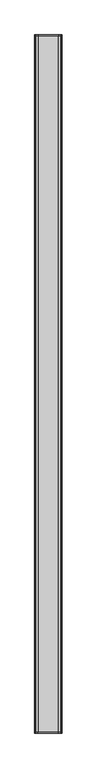
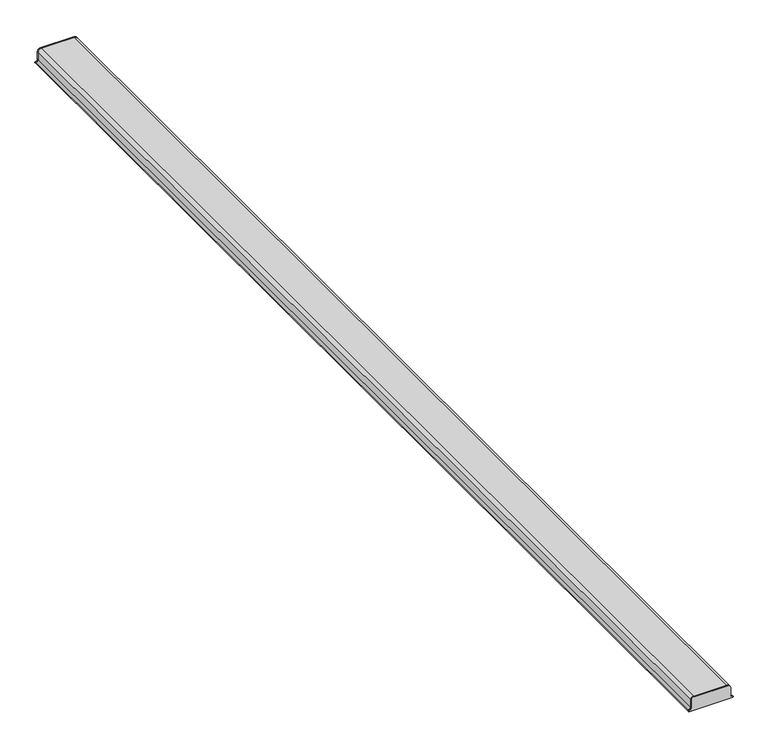
"""IFC4 building model written with IfcOpenShell, lengths in millimetres: proxy geometry."""

from ifc_helpers import new_model, si_unit, point, frame, frame_2d, origin, place, context, project, spatial, polyline, circle_curve, trimmed, segment, composite_curve, outline, extrude, source, transform, mapped, element, save


def generic_models_dd53970e(model_context):
    return source(origin(), model_context, "Body", "SweptSolid", [
        extrude(outline(composite_curve([segment(trimmed(circle_curve(frame_2d((431.1687819, 235.6397011)), 12.7), [point((418.4687819, 235.6397011))], [point((431.1687819, 222.9397011))], True, "CARTESIAN"), True, "CONTINUOUS"), segment(polyline([(431.1687819, 222.9397011), (482.3425919, 222.9397011)]), True, "CONTINUOUS"), segment(trimmed(circle_curve(frame_2d((480.3119736, 203.9982362)), 19.05), [point((482.3425919, 222.9397011))], [point((499.3619736, 203.9982362))], False, "CARTESIAN"), True, "CONTINUOUS"), segment(polyline([(499.3619736, 203.9982362), (499.3619736, -5.6602989)]), True, "CONTINUOUS"), segment(trimmed(circle_curve(frame_2d((480.3119736, -5.6602989)), 19.05), [point((499.3619736, -5.6602989))], [point((480.3119736, -24.7102989))], False, "CARTESIAN"), True, "CONTINUOUS"), segment(polyline([(480.3119736, -24.7102989), (431.1687819, -24.7102989)]), True, "CONTINUOUS"), segment(trimmed(circle_curve(frame_2d((431.1687819, -37.4102989)), 12.7), [point((431.1687819, -24.7102989))], [point((418.4687819, -37.4102989))], True, "CARTESIAN"), True, "CONTINUOUS"), segment(trimmed(circle_curve(frame_2d((415.2937819, -37.4102989)), 3.175), [point((418.4687819, -37.4102989))], [point((412.1187819, -37.4102989))], False, "CARTESIAN"), True, "CONTINUOUS"), segment(polyline([(412.1187819, -37.4102989), (412.1187819, 235.6397011)]), True, "CONTINUOUS"), segment(trimmed(circle_curve(frame_2d((415.2937819, 235.6397011)), 3.175), [point((412.1187819, 235.6397011))], [point((418.4687819, 235.6397011))], False, "CARTESIAN"), True, "CONTINUOUS")], self_intersect=False)), frame((0.0, 3546.871875, 0.0), z_axis=(0.0, 1.0, 0.0), x_axis=(0.0, 0.0, 1.0)), (0.0, 0.0, 1.0), 6.35),
        extrude(outline(composite_curve([segment(trimmed(circle_curve(frame_2d((431.1687819, -37.4102989)), 12.7), [point((431.1687819, -24.7102989))], [point((418.4687819, -37.4102989))], True, "CARTESIAN"), True, "CONTINUOUS"), segment(trimmed(circle_curve(frame_2d((415.2937819, -37.4102989)), 3.175), [point((418.4687819, -37.4102989))], [point((412.1187819, -37.4102989))], False, "CARTESIAN"), True, "CONTINUOUS"), segment(polyline([(412.1187819, -37.4102989), (412.1187819, 235.6397011)]), True, "CONTINUOUS"), segment(trimmed(circle_curve(frame_2d((415.2937819, 235.6397011)), 3.175), [point((412.1187819, 235.6397011))], [point((418.4687819, 235.6397011))], False, "CARTESIAN"), True, "CONTINUOUS"), segment(trimmed(circle_curve(frame_2d((431.1687819, 235.6397011)), 12.7), [point((418.4687819, 235.6397011))], [point((431.1687819, 222.9397011))], True, "CARTESIAN"), True, "CONTINUOUS"), segment(polyline([(431.1687819, 222.9397011), (482.3425919, 222.9397011)]), True, "CONTINUOUS"), segment(trimmed(circle_curve(frame_2d((480.3119736, 203.9982362)), 19.05), [point((482.3425919, 222.9397011))], [point((499.3619736, 203.9982362))], False, "CARTESIAN"), True, "CONTINUOUS"), segment(polyline([(499.3619736, 203.9982362), (499.3619736, -5.6602989)]), True, "CONTINUOUS"), segment(trimmed(circle_curve(frame_2d((480.3119736, -5.6602989)), 19.05), [point((499.3619736, -5.6602989))], [point((480.3119736, -24.7102989))], False, "CARTESIAN"), True, "CONTINUOUS"), segment(polyline([(480.3119736, -24.7102989), (431.1687819, -24.7102989)]), True, "CONTINUOUS")], self_intersect=False)), frame((0.0, -3553.221875, 0.0), z_axis=(0.0, 1.0, 0.0), x_axis=(0.0, 0.0, 1.0)), (0.0, 0.0, 1.0), 6.35),
        extrude(outline(composite_curve([segment(trimmed(circle_curve(frame_2d((480.3119736, -5.6602989)), 19.05), [point((499.3619736, -5.6602989))], [point((480.3119736, -24.7102989))], False, "CARTESIAN"), True, "CONTINUOUS"), segment(polyline([(480.3119736, -24.7102989), (431.1687819, -24.7102989)]), True, "CONTINUOUS"), segment(trimmed(circle_curve(frame_2d((431.1687819, -37.4102989)), 12.7), [point((431.1687819, -24.7102989))], [point((418.4687819, -37.4102989))], True, "CARTESIAN"), True, "CONTINUOUS"), segment(trimmed(circle_curve(frame_2d((415.2937819, -37.4102989)), 3.175), [point((418.4687819, -37.4102989))], [point((412.1187819, -37.4102989))], False, "CARTESIAN"), True, "CONTINUOUS"), segment(trimmed(circle_curve(frame_2d((431.1687819, -37.4102989)), 19.05), [point((412.1187819, -37.4102989))], [point((431.1687819, -18.3602989))], False, "CARTESIAN"), True, "CONTINUOUS"), segment(polyline([(431.1687819, -18.3602989), (480.3119736, -18.3602989)]), True, "CONTINUOUS"), segment(trimmed(circle_curve(frame_2d((480.3119736, -5.6602989)), 12.7), [point((480.3119736, -18.3602989))], [point((493.0119736, -5.6602989))], True, "CARTESIAN"), True, "CONTINUOUS"), segment(polyline([(493.0119736, -5.6602989), (493.0119736, 203.9982362)]), True, "CONTINUOUS"), segment(trimmed(circle_curve(frame_2d((480.3119736, 203.9982362)), 12.7), [point((493.0119736, 203.9982362))], [point((481.9687819, 216.5897011))], True, "CARTESIAN"), True, "CONTINUOUS"), segment(polyline([(481.9687819, 216.5897011), (431.1687819, 216.5897011)]), True, "CONTINUOUS"), segment(trimmed(circle_curve(frame_2d((431.1687819, 235.6397011)), 19.05), [point((431.1687819, 216.5897011))], [point((412.1187819, 235.6397011))], False, "CARTESIAN"), True, "CONTINUOUS"), segment(trimmed(circle_curve(frame_2d((415.2937819, 235.6397011)), 3.175), [point((412.1187819, 235.6397011))], [point((418.4687819, 235.6397011))], False, "CARTESIAN"), True, "CONTINUOUS"), segment(trimmed(circle_curve(frame_2d((431.1687819, 235.6397011)), 12.7), [point((418.4687819, 235.6397011))], [point((431.1687819, 222.9397011))], True, "CARTESIAN"), True, "CONTINUOUS"), segment(polyline([(431.1687819, 222.9397011), (482.3425919, 222.9397011)]), True, "CONTINUOUS"), segment(trimmed(circle_curve(frame_2d((480.3119736, 203.9982362)), 19.05), [point((482.3425919, 222.9397011))], [point((499.3619736, 203.9982362))], False, "CARTESIAN"), True, "CONTINUOUS"), segment(polyline([(499.3619736, 203.9982362), (499.3619736, -5.6602989)]), True, "CONTINUOUS")], self_intersect=False)), frame((0.0, -3546.871875, 0.0), z_axis=(0.0, 1.0, 0.0), x_axis=(0.0, 0.0, 1.0)), (0.0, 0.0, 1.0), 7093.74375),
    ])


if __name__ == "__main__":
    model = new_model("IFC4")
    model_context = context("Model", 3, world=origin())
    ifc_project = project(units=[si_unit("LENGTHUNIT", "METRE", prefix="MILLI")], contexts=[model_context])
    site = spatial("IfcSite", under=ifc_project)
    building = spatial("IfcBuilding", under=site)
    placement = place(None, origin())
    generic_models_shape = generic_models_dd53970e(model_context)
    element("IfcBuildingElementProxy", 1, Name="Generic Models", at=placement, inside=building, context=model_context, shape_type="MappedRepresentation", body=[
        mapped(generic_models_shape, transform((0.0, 0.0, 0.0), x_axis=(1.0, 0.0, 0.0), y_axis=(0.0, 1.0, 0.0), z_axis=(0.0, 0.0, 1.0))),
    ])
    save(model, "model.ifc")
